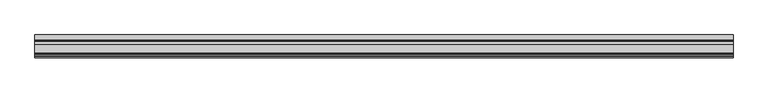
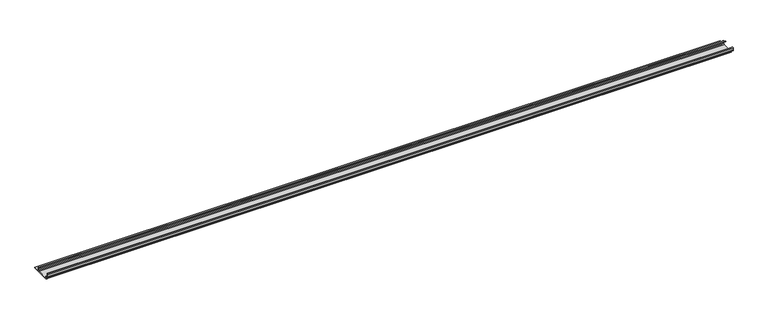
"""IFC4 building model written with IfcOpenShell, lengths in millimetres: proxy geometry."""

from ifc_helpers import new_model, si_unit, point, frame, frame_2d, origin, place, context, project, spatial, polyline, circle_curve, trimmed, segment, composite_curve, outline, extrude, source, transform, mapped, element, save


def generic_models_1fc53333(model_context):
    return source(origin(), model_context, "Body", "SweptSolid", [
        extrude(outline(composite_curve([segment(trimmed(circle_curve(frame_2d((-62.6503601, 1.8496399)), 1.8496399), [point((-62.6503601, 0.0))], [point((-64.5, 1.8496399))], False, "CARTESIAN"), True, "CONTINUOUS"), segment(polyline([(-64.5, 1.8496399), (-64.5, 5.954427)]), True, "CONTINUOUS"), segment(trimmed(circle_curve(frame_2d((-66.20622, 5.954427)), 1.70622), [point((-64.5, 5.954427))], [point((-65.4316123, 7.4746802))], True, "CARTESIAN"), True, "CONTINUOUS"), segment(polyline([(-65.4316123, 7.4746802), (-72.6810737, 11.1684652)]), True, "CONTINUOUS"), segment(trimmed(circle_curve(frame_2d((-71.168691, 14.1366832)), 3.331309), [point((-72.6810737, 11.1684652))], [point((-74.5, 14.1366832))], False, "CARTESIAN"), True, "CONTINUOUS"), segment(polyline([(-74.5, 14.1366832), (-74.5, 20.1779423)]), True, "CONTINUOUS"), segment(trimmed(circle_curve(frame_2d((-71.9904423, 20.1779423)), 2.5095577), [point((-74.5, 20.1779423))], [point((-71.9904423, 22.6875))], False, "CARTESIAN"), True, "CONTINUOUS"), segment(polyline([(-71.9904423, 22.6875), (-70.5, 22.6875), (-70.5, 20.6875), (-71.7785709, 20.6875)]), True, "CONTINUOUS"), segment(trimmed(circle_curve(frame_2d((-71.7785709, 19.9660709)), 0.7214291), [point((-71.7785709, 20.6875))], [point((-72.5, 19.9660709))], True, "CARTESIAN"), True, "CONTINUOUS"), segment(polyline([(-72.5, 19.9660709), (-72.5, 14.7749524)]), True, "CONTINUOUS"), segment(trimmed(circle_curve(frame_2d((-70.1271304, 14.7749524)), 2.3728696), [point((-72.5, 14.7749524))], [point((-71.2043907, 12.6607101))], True, "CARTESIAN"), True, "CONTINUOUS"), segment(polyline([(-71.2043907, 12.6607101), (-64.0754216, 9.028319)]), True, "CONTINUOUS"), segment(trimmed(circle_curve(frame_2d((-65.3853373, 6.4574646)), 2.8853373), [point((-64.0754216, 9.028319))], [point((-62.5, 6.4574646))], False, "CARTESIAN"), True, "CONTINUOUS"), segment(polyline([(-62.5, 6.4574646), (-62.5, 4.1283032)]), True, "CONTINUOUS"), segment(trimmed(circle_curve(frame_2d((-60.3716968, 4.1283032)), 2.1283032), [point((-62.5, 4.1283032))], [point((-60.3716968, 2.0))], True, "CARTESIAN"), True, "CONTINUOUS"), segment(polyline([(-60.3716968, 2.0), (-24.1498681, 2.0)]), True, "CONTINUOUS"), segment(trimmed(circle_curve(frame_2d((-24.1498681, 4.6498681)), 2.6498681), [point((-24.1498681, 2.0))], [point((-21.5, 4.6498681))], True, "CARTESIAN"), True, "CONTINUOUS"), segment(polyline([(-21.5, 4.6498681), (-21.5, 11.0762745)]), True, "CONTINUOUS"), segment(trimmed(circle_curve(frame_2d((-24.2710864, 11.0762745)), 2.7710864), [point((-21.5, 11.0762745))], [point((-23.0130395, 13.5453305))], True, "CARTESIAN"), True, "CONTINUOUS"), segment(polyline([(-23.0130395, 13.5453305), (-31.0115672, 17.620784), (-31.0115672, 19.8654365), (-21.2217486, 14.8772747)]), True, "CONTINUOUS"), segment(trimmed(circle_curve(frame_2d((-22.6533308, 12.0676364)), 3.1533308), [point((-21.2217486, 14.8772747))], [point((-19.5, 12.0676364))], False, "CARTESIAN"), True, "CONTINUOUS"), segment(polyline([(-19.5, 12.0676364), (-19.5, 4.4365856)]), True, "CONTINUOUS"), segment(trimmed(circle_curve(frame_2d((-17.0634144, 4.4365856)), 2.4365856), [point((-19.5, 4.4365856))], [point((-17.0634144, 2.0))], True, "CARTESIAN"), True, "CONTINUOUS"), segment(polyline([(-17.0634144, 2.0), (0.0, 2.0), (0.0, 0.0), (-62.6503601, 0.0)]), True, "CONTINUOUS")], self_intersect=False)), frame((0.0, 0.0, 0.0), z_axis=(1.0, 0.0, 0.0), x_axis=(0.0, 1.0, 0.0)), (0.0, 0.0, 1.0), 2280.0),
    ])


if __name__ == "__main__":
    model = new_model("IFC4")
    model_context = context("Model", 3, world=origin())
    ifc_project = project(units=[si_unit("LENGTHUNIT", "METRE", prefix="MILLI")], contexts=[model_context])
    site = spatial("IfcSite", under=ifc_project)
    building = spatial("IfcBuilding", under=site)
    placement = place(None, origin())
    generic_models_shape = generic_models_1fc53333(model_context)
    element("IfcBuildingElementProxy", 1, Name="Generic Models", at=placement, inside=building, context=model_context, shape_type="MappedRepresentation", body=[
        mapped(generic_models_shape, transform((0.0, 0.0, 0.0), x_axis=(1.0, 0.0, 0.0), y_axis=(0.0, 1.0, 0.0), z_axis=(0.0, 0.0, 1.0))),
    ])
    save(model, "model.ifc")
